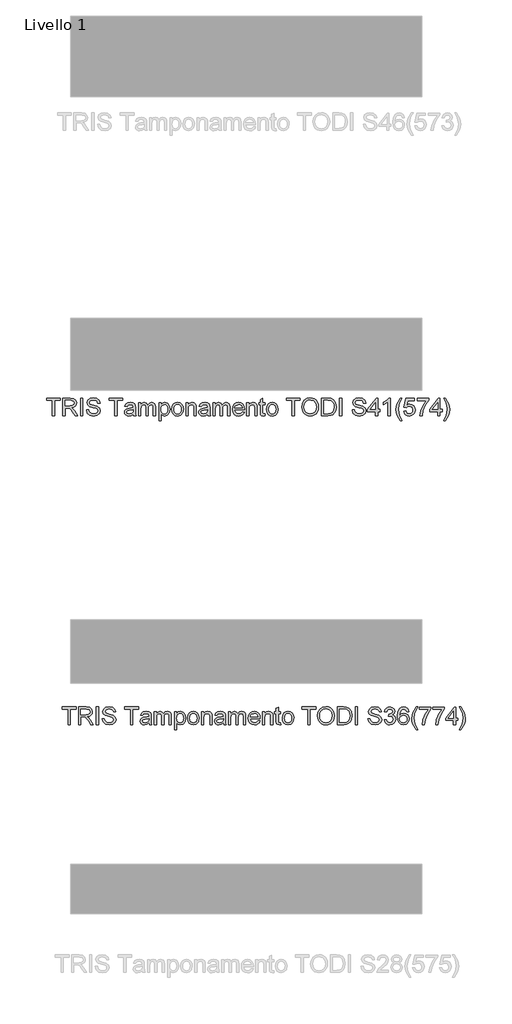
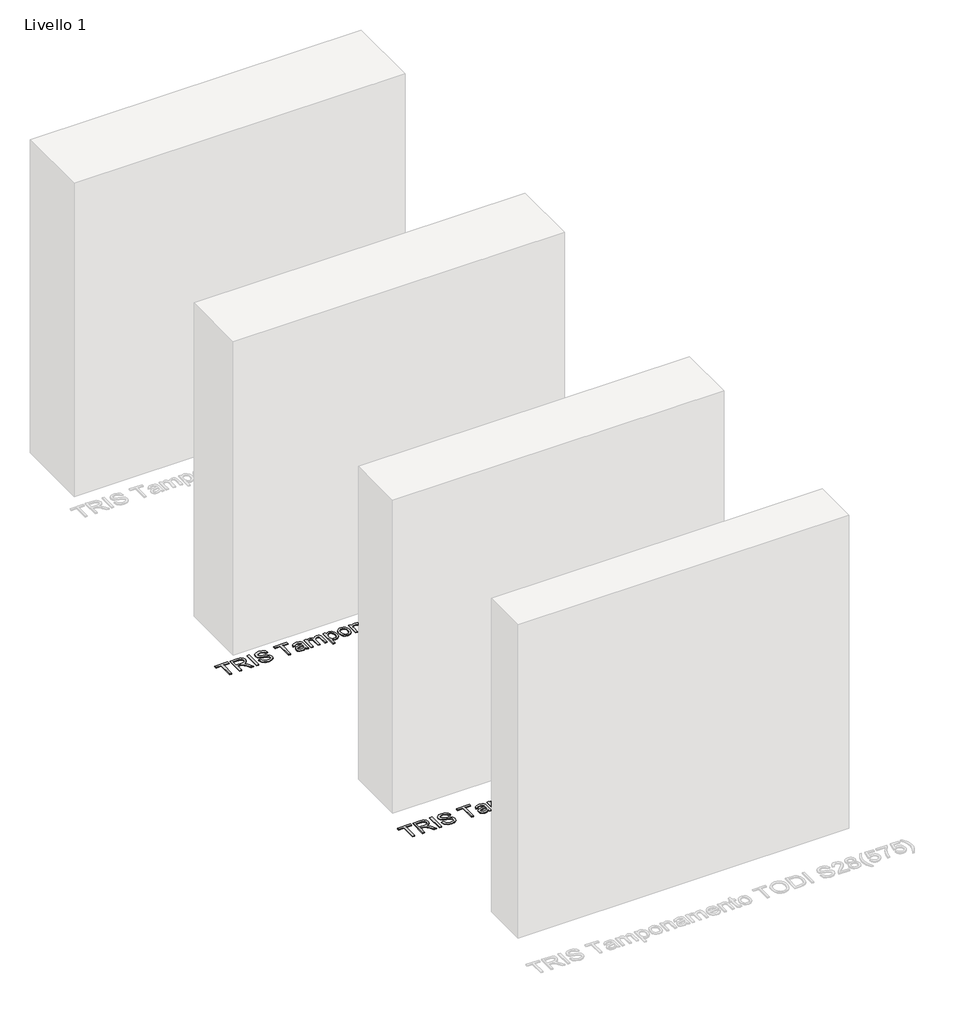
# One storey, part 11 of 18: 2 proxies.
"""IFC4 building model written with IfcOpenShell, lengths in millimetres."""

from ifc_helpers import new_model, si_unit, origin, origin_with_axes, place, context, project, spatial, polyline, outline, extrude, element, save

model = new_model("IFC4")

# Units and contexts
model_context = context("Model", 3, world=origin())
ifc_project = project(units=[si_unit("LENGTHUNIT", "METRE", prefix="MILLI")], contexts=[model_context])

# Site, building, storey
site = spatial("IfcSite", under=ifc_project)
building = spatial("IfcBuilding", under=site)
storey = spatial("IfcBuildingStorey", under=building, Name="Livello 1", Elevation=0.0)

# Proxies
placement = place(None, origin())
element("IfcBuildingElementProxy", 1, Name="100", ObjectType="100", at=placement, inside=storey, context=model_context, shape_type="SweptSolid", body=[
    extrude(outline(polyline([(3274.1215257, -54.0645777), (3274.1215257, 33.8346937), (3241.1592989, 33.8346937), (3241.1592989, 46.3917324), (3319.6407912, 46.3917324), (3319.6407912, 33.8346937), (3286.6785644, 33.8346937), (3286.6785644, -54.0645777), (3274.1215257, -54.0645777)])), origin_with_axes(), (0.0, 0.0, 1.0), 5.0),
    extrude(outline(polyline([(3333.7674598, -54.0645777), (3333.7674598, 46.3917324), (3377.0549079, 46.3917324), (3397.1535276, 43.6816684), (3408.1409365, 34.0922111), (3412.2489521, 18.8986847), (3410.5474979, 9.002659), (3405.4431352, 0.7988905), (3396.7825799, -5.2159801), (3384.4125478, -8.5453122), (3391.5494585, -13.9163893), (3401.7275271, -26.8413101), (3418.4784206, -54.0645777), (3403.8857681, -54.0645777), (3390.8136945, -33.2424568), (3381.37139, -19.4591447), (3374.7372514, -12.9476334), (3368.7653003, -10.5564004), (3361.4812368, -10.114942), (3346.3244986, -10.114942), (3346.3244986, -54.0645777), (3333.7674598, -54.0645777)]), holes=[polyline([(3346.3244986, 2.4420967), (3374.430683, 2.4420967), (3388.7658181, 4.2201931), (3396.9082729, 9.9101012), (3399.6919134, 18.4327008), (3394.3821499, 29.4936861), (3377.5944682, 33.8346937), (3346.3244986, 33.8346937), (3346.3244986, 2.4420967)])]), origin_with_axes(), (0.0, 0.0, 1.0), 5.0),
    extrude(outline(polyline([(3435.7933998, -54.0645777), (3435.7933998, 46.3917324), (3448.3504386, 46.3917324), (3448.3504386, -54.0645777), (3435.7933998, -54.0645777)])), origin_with_axes(), (0.0, 0.0, 1.0), 5.0),
    extrude(outline(polyline([(3468.7556266, -19.5327211), (3481.3126654, -19.5327211), (3485.3593673, -32.1020226), (3495.2431302, -40.0482737), (3510.3017666, -43.0771688), (3523.4228911, -40.7840377), (3531.8964397, -34.4809928), (3534.6800801, -26.0564951), (3532.5954155, -18.2206087), (3524.0605532, -12.5184377), (3505.776818, -7.7237091), (3486.0951313, -1.5310288), (3475.4142907, 7.8131739), (3471.8948863, 20.2966362), (3476.2481566, 34.509144), (3488.9646109, 44.5400597), (3507.5794398, 47.9613623), (3527.4450675, 44.3806442), (3540.6888194, 33.8592191), (3545.667489, 18.1383952), (3533.1104503, 18.1383952), (3530.8050564, 25.6309252), (3525.998065, 31.0387905), (3508.0699491, 35.4043235), (3490.0927823, 31.0878414), (3484.451925, 20.6645182), (3488.4495761, 11.9579777), (3508.9528659, 4.9436943), (3531.1729384, -1.3593505), (3543.325307, -11.5374191), (3547.2371189, -25.7376641), (3542.7366958, -40.7595122), (3529.7872496, -51.7223957), (3510.7922759, -55.6342076), (3488.3637369, -51.4158273), (3474.1757546, -38.7116358), (3468.7556266, -19.5327211)])), origin_with_axes(), (0.0, 0.0, 1.0), 5.0),
    extrude(outline(polyline([(3630.4275007, -54.0645777), (3630.4275007, 33.8346937), (3597.465274, 33.8346937), (3597.465274, 46.3917324), (3675.9467663, 46.3917324), (3675.9467663, 33.8346937), (3642.9845395, 33.8346937), (3642.9845395, -54.0645777), (3630.4275007, -54.0645777)])), origin_with_axes(), (0.0, 0.0, 1.0), 5.0),
    extrude(outline(polyline([(3735.5927004, -44.6467986), (3723.4158064, -53.1571355), (3709.9635881, -55.6342076), (3699.4697542, -54.1442855), (3691.7289039, -49.6745192), (3686.955635, -42.8870964), (3685.3645453, -34.4442046), (3687.768041, -24.5113908), (3694.0833486, -17.3009037), (3702.8757283, -13.1806253), (3713.7405099, -11.2921644), (3735.519124, -6.9756823), (3735.5927004, -4.1797792), (3732.1346097, 5.0908471), (3718.2531957, 8.7206161), (3705.5490041, 6.3048577), (3699.491214, -2.2667928), (3686.9341752, -0.6971629), (3692.366566, 11.5655702), (3703.304924, 18.7515319), (3719.8718765, 21.2776549), (3735.0899284, 19.0458375), (3743.6861043, 13.4417684), (3747.5366025, 4.9191688), (3748.1497392, -6.0682401), (3748.1497392, -21.6909621), (3748.7874013, -43.5063645), (3751.2889989, -54.0645777), (3738.7319601, -54.0645777), (3735.5927004, -44.6467986)]), holes=[polyline([(3735.5927004, -19.5327211), (3715.3346652, -23.3832193), (3704.5311973, -25.418833), (3699.6383668, -28.729771), (3697.9215841, -33.5612879), (3701.6617177, -40.354842), (3712.6368639, -43.0771688), (3725.3410555, -40.0727992), (3733.5325612, -32.8009984), (3735.519124, -23.0889137), (3735.5927004, -19.5327211)])]), origin_with_axes(), (0.0, 0.0, 1.0), 5.0),
    extrude(outline(polyline([(3765.4156675, -54.0645777), (3765.4156675, 19.7080251), (3777.9727063, 19.7080251), (3777.9727063, 7.5679192), (3786.6056704, 17.5129958), (3798.8929291, 21.2776549), (3811.4744933, 17.4394194), (3818.3906748, 6.6850024), (3828.1885986, 17.6294918), (3840.5616964, 21.2776549), (3850.0009352, 19.7601417), (3856.9814961, 15.207602), (3861.2949125, 7.4974085), (3862.732718, -3.4930661), (3862.732718, -54.0645777), (3850.1756792, -54.0645777), (3850.1756792, -8.8886687), (3849.0107195, 1.5959682), (3844.7923393, 6.7585788), (3837.6186404, 8.7206161), (3825.2700681, 3.6928955), (3821.5820511, -2.8492726), (3820.3527121, -12.4203359), (3820.3527121, -54.0645777), (3807.7956733, -54.0645777), (3807.7956733, -7.4907171), (3804.8894056, 4.6739142), (3795.3612619, 8.7206161), (3786.0661102, 6.0228148), (3779.8856926, -1.8743853), (3777.9727063, -16.8594453), (3777.9727063, -54.0645777), (3765.4156675, -54.0645777)])), origin_with_axes(), (0.0, 0.0, 1.0), 5.0),
    extrude(outline(polyline([(3881.5682761, -82.3179149), (3881.5682761, 19.7080251), (3894.1253149, 19.7080251), (3894.1253149, 7.3962409), (3902.80733, 17.8073014), (3914.5305029, 21.2776549), (3930.4475305, 16.4216126), (3940.8463283, 2.7364023), (3944.35347, -16.6141906), (3940.3926071, -36.9580649), (3928.8901634, -50.8149534), (3913.009924, -55.6342076), (3902.0838287, -52.4091087), (3894.1253149, -44.2543912), (3894.1253149, -82.3179149), (3881.5682761, -82.3179149)]), holes=[polyline([(3894.1253149, -17.7668875), (3895.4834126, -29.0240766), (3899.5577057, -36.8967513), (3905.5695106, -41.5320644), (3912.7401438, -43.0771688), (3920.027273, -41.4768821), (3926.1923621, -36.6760221), (3930.3954139, -28.5151731), (3931.7964312, -16.8349198), (3930.4291364, -5.6390444), (3926.3272522, 2.3439949), (3920.3246443, 7.1264608), (3913.2551786, 8.7206161), (3906.1581218, 7.0252933), (3899.9255877, 1.9393247), (3895.5753831, -6.3778741), (3894.1253149, -17.7668875)])]), origin_with_axes(), (0.0, 0.0, 1.0), 5.0),
    extrude(outline(polyline([(3955.3408789, -17.1782763), (3958.0570743, 0.6088181), (3966.2056605, 13.1106746), (3976.2733644, 19.2359098), (3988.3276311, 21.2776549), (4001.5192663, 18.7913857), (4012.0560198, 11.3325783), (4018.9630043, -0.5101563), (4021.2653324, -16.1482067), (4017.194105, -38.4909066), (4005.336042, -51.1337845), (3988.3276311, -55.6342076), (3974.9765804, -53.1571355), (3964.4520896, -45.7259192), (3957.6186816, -33.6348642), (3955.3408789, -17.1782763)]), holes=[polyline([(3967.8979176, -17.1537509), (3969.3510515, -28.5182388), (3973.7104532, -36.6147084), (3980.2710154, -41.4615537), (3988.3276311, -43.0771688), (3996.3474586, -41.4523566), (4002.8957581, -36.5779202), (4007.2551598, -28.3741517), (4008.7082936, -16.7613434), (4007.2459627, -5.7279492), (4002.8589699, 2.2581557), (3996.3014734, 7.105001), (3988.3276311, 8.7206161), (3980.2710154, 7.1111324), (3973.7104532, 2.2826812), (3969.3510515, -5.7953943), (3967.8979176, -17.1537509)])]), origin_with_axes(), (0.0, 0.0, 1.0), 5.0),
    extrude(outline(polyline([(4035.392001, -54.0645777), (4035.392001, 19.7080251), (4047.9490398, 19.7080251), (4047.9490398, 9.4073292), (4057.5507599, 18.3100735), (4070.6596216, 21.2776549), (4082.5176846, 18.8864219), (4090.6110885, 12.6079025), (4094.3757476, 3.3740645), (4095.0379352, -8.7660414), (4095.0379352, -54.0645777), (4082.4808964, -54.0645777), (4082.4808964, -10.4582986), (4081.0338939, 0.6517377), (4075.9203342, 6.5255869), (4067.2996327, 8.7206161), (4053.6757362, 3.7909974), (4049.3807139, -3.3520447), (4047.9490398, -14.9219334), (4047.9490398, -54.0645777), (4035.392001, -54.0645777)])), origin_with_axes(), (0.0, 0.0, 1.0), 5.0),
    extrude(outline(polyline([(4159.3927589, -44.6467986), (4147.2158648, -53.1571355), (4133.7636465, -55.6342076), (4123.2698126, -54.1442855), (4115.5289623, -49.6745192), (4110.7556934, -42.8870964), (4109.1646038, -34.4442046), (4111.5680995, -24.5113908), (4117.8834071, -17.3009037), (4126.6757868, -13.1806253), (4137.5405684, -11.2921644), (4159.3191825, -6.9756823), (4159.3927589, -4.1797792), (4155.9346681, 5.0908471), (4142.0532542, 8.7206161), (4129.3490626, 6.3048577), (4123.2912724, -2.2667928), (4110.7342336, -0.6971629), (4116.1666244, 11.5655702), (4127.1049824, 18.7515319), (4143.6719349, 21.2776549), (4158.8899868, 19.0458375), (4167.4861628, 13.4417684), (4171.336661, 4.9191688), (4171.9497976, -6.0682401), (4171.9497976, -21.6909621), (4172.5874598, -43.5063645), (4175.0890573, -54.0645777), (4162.5320186, -54.0645777), (4159.3927589, -44.6467986)]), holes=[polyline([(4159.3927589, -19.5327211), (4139.1347237, -23.3832193), (4128.3312557, -25.418833), (4123.4384252, -28.729771), (4121.7216426, -33.5612879), (4125.4617762, -40.354842), (4136.4369224, -43.0771688), (4149.1411139, -40.0727992), (4157.3326197, -32.8009984), (4159.3191825, -23.0889137), (4159.3927589, -19.5327211)])]), origin_with_axes(), (0.0, 0.0, 1.0), 5.0),
    extrude(outline(polyline([(4189.2157259, -54.0645777), (4189.2157259, 19.7080251), (4201.7727647, 19.7080251), (4201.7727647, 7.5679192), (4210.4057289, 17.5129958), (4222.6929875, 21.2776549), (4235.2745517, 17.4394194), (4242.1907332, 6.6850024), (4251.9886571, 17.6294918), (4264.3617548, 21.2776549), (4273.8009937, 19.7601417), (4280.7815545, 15.207602), (4285.0949709, 7.4974085), (4286.5327764, -3.4930661), (4286.5327764, -54.0645777), (4273.9757376, -54.0645777), (4273.9757376, -8.8886687), (4272.810778, 1.5959682), (4268.5923978, 6.7585788), (4261.4186989, 8.7206161), (4249.0701266, 3.6928955), (4245.3821096, -2.8492726), (4244.1527706, -12.4203359), (4244.1527706, -54.0645777), (4231.5957318, -54.0645777), (4231.5957318, -7.4907171), (4228.689464, 4.6739142), (4219.1613203, 8.7206161), (4209.8661686, 6.0228148), (4203.6857511, -1.8743853), (4201.7727647, -16.8594453), (4201.7727647, -54.0645777), (4189.2157259, -54.0645777)])), origin_with_axes(), (0.0, 0.0, 1.0), 5.0),
    extrude(outline(polyline([(4357.0189667, -32.0897599), (4369.3307508, -33.6593897), (4364.8947071, -42.9361474), (4357.8160443, -49.870723), (4348.2541781, -54.1933364), (4336.368524, -55.6342076), (4321.6348501, -53.1479384), (4310.2979533, -45.689131), (4303.0690721, -33.7421632), (4300.659445, -17.791413), (4303.0935975, -1.3041682), (4310.3960552, 11.02601), (4321.5796678, 18.7147437), (4335.6572855, 21.2776549), (4349.2965105, 18.720875), (4360.1950146, 11.0505354), (4367.3411223, -1.2551173), (4369.7231582, -17.7178366), (4369.6495818, -21.1023509), (4313.2164838, -21.1023509), (4315.3900532, -30.5017359), (4320.4392336, -37.4117861), (4327.7263628, -41.6608231), (4336.6137787, -43.0771688), (4348.9255628, -40.4529439), (4357.0189667, -32.0897599)]), holes=[polyline([(4313.2164838, -8.5453122), (4357.1661195, -8.5453122), (4352.1383989, 2.8345042), (4344.8175472, 7.2490881), (4335.6082346, 8.7206161), (4320.144928, 4.0239893), (4315.2796886, -1.4666495), (4313.2164838, -8.5453122)])]), origin_with_axes(), (0.0, 0.0, 1.0), 5.0),
    extrude(outline(polyline([(4382.280197, -54.0645777), (4382.280197, 19.7080251), (4394.8372358, 19.7080251), (4394.8372358, 9.4073292), (4404.4389559, 18.3100735), (4417.5478176, 21.2776549), (4429.4058806, 18.8864219), (4437.4992845, 12.6079025), (4441.2639436, 3.3740645), (4441.9261312, -8.7660414), (4441.9261312, -54.0645777), (4429.3690924, -54.0645777), (4429.3690924, -10.4582986), (4427.9220899, 0.6517377), (4422.8085301, 6.5255869), (4414.1878287, 8.7206161), (4400.5639322, 3.7909974), (4396.2689099, -3.3520447), (4394.8372358, -14.9219334), (4394.8372358, -54.0645777), (4382.280197, -54.0645777)])), origin_with_axes(), (0.0, 0.0, 1.0), 5.0),
    extrude(outline(polyline([(4485.8757669, -43.5922036), (4487.4453967, -54.4324597), (4478.0521431, -55.6342076), (4467.530718, -53.5495429), (4462.2822682, -48.0803639), (4460.7616893, -33.831068), (4460.7616893, 7.1509863), (4451.3439102, 7.1509863), (4451.3439102, 19.7080251), (4460.7616893, 19.7080251), (4460.7616893, 37.6361409), (4473.3187281, 45.0183063), (4473.3187281, 19.7080251), (4485.8757669, 19.7080251), (4485.8757669, 7.1509863), (4473.3187281, 7.1509863), (4473.3187281, -33.463186), (4473.9809157, -39.9379091), (4476.126894, -42.2310402), (4480.4065879, -43.0771688), (4485.8757669, -43.5922036)])), origin_with_axes(), (0.0, 0.0, 1.0), 5.0),
    extrude(outline(polyline([(4495.2935459, -17.1782763), (4498.0097413, 0.6088181), (4506.1583275, 13.1106746), (4516.2260315, 19.2359098), (4528.2802982, 21.2776549), (4541.4719334, 18.7913857), (4552.0086868, 11.3325783), (4558.9156713, -0.5101563), (4561.2179995, -16.1482067), (4557.146772, -38.4909066), (4545.2887091, -51.1337845), (4528.2802982, -55.6342076), (4514.9292474, -53.1571355), (4504.4047567, -45.7259192), (4497.5713486, -33.6348642), (4495.2935459, -17.1782763)]), holes=[polyline([(4507.8505847, -17.1537509), (4509.3037186, -28.5182388), (4513.6631202, -36.6147084), (4520.2236825, -41.4615537), (4528.2802982, -43.0771688), (4536.3001257, -41.4523566), (4542.8484252, -36.5779202), (4547.2078268, -28.3741517), (4548.6609607, -16.7613434), (4547.1986298, -5.7279492), (4542.811637, 2.2581557), (4536.2541404, 7.105001), (4528.2802982, 8.7206161), (4520.2236825, 7.1111324), (4513.6631202, 2.2826812), (4509.3037186, -5.7953943), (4507.8505847, -17.1537509)])]), origin_with_axes(), (0.0, 0.0, 1.0), 5.0),
    extrude(outline(polyline([(4641.2691216, -54.0645777), (4641.2691216, 33.8346937), (4608.3068948, 33.8346937), (4608.3068948, 46.3917324), (4686.7883871, 46.3917324), (4686.7883871, 33.8346937), (4653.8261604, 33.8346937), (4653.8261604, -54.0645777), (4641.2691216, -54.0645777)])), origin_with_axes(), (0.0, 0.0, 1.0), 5.0),
    extrude(outline(polyline([(4696.2061662, -5.1607978), (4699.5538924, 17.0531433), (4709.5970709, 33.8592191), (4724.9316187, 44.4358265), (4744.1534529, 47.9613623), (4757.3297597, 46.3058933), (4769.1449031, 41.3394864), (4778.9550897, 33.4116294), (4786.1165258, 22.8718102), (4790.4943216, 10.2289323), (4791.9535868, -4.0081009), (4790.4176795, -18.4352065), (4785.8099575, -31.255894), (4778.3848726, -41.8141073), (4768.3968764, -49.45379), (4756.6829005, -54.0891032), (4744.0798765, -55.6342076), (4730.7012346, -53.926622), (4718.8186462, -48.8038652), (4709.0329851, -40.7288554), (4701.9451254, -30.1645108), (4696.2061662, -5.1607978)]), holes=[polyline([(4708.763205, -5.2834252), (4711.2739996, -20.9981177), (4718.8063835, -32.9726767), (4730.1279519, -40.5510458), (4744.0063001, -43.0771688), (4758.0869835, -40.5265203), (4769.426946, -32.8745748), (4776.9041476, -20.5321339), (4779.3965481, -3.909999), (4775.1291169, 16.81402), (4762.6579173, 30.5360184), (4744.2270293, 35.4043235), (4730.7196287, 33.0590758), (4719.2355791, 26.0233326), (4711.3812985, 13.5061477), (4708.763205, -5.2834252)])]), origin_with_axes(), (0.0, 0.0, 1.0), 5.0),
    extrude(outline(polyline([(4809.2195151, -54.0645777), (4809.2195151, 46.3917324), (4843.8739991, 46.3917324), (4861.802115, 44.9447299), (4876.5664457, 37.7587683), (4888.4612969, 20.5909418), (4892.409897, -3.2968624), (4889.7366212, -23.5671603), (4882.8694906, -38.196601), (4873.6969662, -47.3078117), (4861.6917504, -52.3477951), (4845.5417308, -54.0645777), (4809.2195151, -54.0645777)]), holes=[polyline([(4821.7765539, -41.5075389), (4843.9966264, -41.5075389), (4860.1589087, -39.6926544), (4869.478586, -34.566832), (4877.1182687, -22.0956323), (4879.8528582, -3.1006586), (4878.5131546, 10.5845516), (4874.4940438, 20.6890437), (4861.4587585, 31.8236054), (4843.6532699, 33.8346937), (4821.7765539, 33.8346937), (4821.7765539, -41.5075389)])]), origin_with_axes(), (0.0, 0.0, 1.0), 5.0),
    extrude(outline(polyline([(4911.2454551, -54.0645777), (4911.2454551, 46.3917324), (4923.8024939, 46.3917324), (4923.8024939, -54.0645777), (4911.2454551, -54.0645777)])), origin_with_axes(), (0.0, 0.0, 1.0), 5.0),
    extrude(outline(polyline([(4983.4484281, -19.5327211), (4996.0054668, -19.5327211), (5000.0521688, -32.1020226), (5009.9359317, -40.0482737), (5024.994568, -43.0771688), (5038.1156925, -40.7840377), (5046.5892412, -34.4809928), (5049.3728816, -26.0564951), (5047.288217, -18.2206087), (5038.7533547, -12.5184377), (5020.4696195, -7.7237091), (5000.7879328, -1.5310288), (4990.1070922, 7.8131739), (4986.5876878, 20.2966362), (4990.940958, 34.509144), (5003.6574123, 44.5400597), (5022.2722413, 47.9613623), (5042.137869, 44.3806442), (5055.3816209, 33.8592191), (5060.3602905, 18.1383952), (5047.8032517, 18.1383952), (5045.4978579, 25.6309252), (5040.6908665, 31.0387905), (5022.7627506, 35.4043235), (5004.7855838, 31.0878414), (4999.1447265, 20.6645182), (5003.1423775, 11.9579777), (5023.6456674, 4.9436943), (5045.8657399, -1.3593505), (5058.0181085, -11.5374191), (5061.9299204, -25.7376641), (5057.4294973, -40.7595122), (5044.4800511, -51.7223957), (5025.4850774, -55.6342076), (5003.0565384, -51.4158273), (4988.8685561, -38.7116358), (4983.4484281, -19.5327211)])), origin_with_axes(), (0.0, 0.0, 1.0), 5.0),
    extrude(outline(polyline([(5116.866965, -54.0645777), (5116.866965, -30.52013), (5071.3476994, -30.52013), (5071.3476994, -17.9630913), (5120.0062247, 44.8221026), (5129.4240037, 44.8221026), (5129.4240037, -17.9630913), (5141.9810425, -17.9630913), (5141.9810425, -30.52013), (5129.4240037, -30.52013), (5129.4240037, -54.0645777), (5116.866965, -54.0645777)]), holes=[polyline([(5116.866965, -17.9630913), (5116.866965, 20.8361965), (5086.7987432, -17.9630913), (5116.866965, -17.9630913)])]), origin_with_axes(), (0.0, 0.0, 1.0), 5.0),
    extrude(outline(polyline([(5200.0573468, -54.0645777), (5187.5003081, -54.0645777), (5187.5003081, 24.2207109), (5175.6054569, 15.7471622), (5162.3862305, 9.4073292), (5162.3862305, 21.2776549), (5180.792593, 33.0253533), (5191.9639429, 46.3917324), (5200.0573468, 46.3917324), (5200.0573468, -54.0645777)])), origin_with_axes(), (0.0, 0.0, 1.0), 5.0),
    extrude(outline(polyline([(5258.1336511, -82.3179149), (5240.3036371, -52.8628299), (5234.8405895, -35.6827407), (5233.0195736, -17.8895149), (5238.4642271, 12.6446907), (5258.1336511, 46.3917324), (5267.5514302, 46.3917324), (5255.8037318, 26.5015792), (5248.7403975, 7.2245627), (5245.5766124, -17.9630913), (5251.0703168, -50.1527658), (5267.5514302, -82.3179149), (5258.1336511, -82.3179149)])), origin_with_axes(), (0.0, 0.0, 1.0), 5.0),
    extrude(outline(polyline([(5276.9692093, -27.3808703), (5289.526248, -25.8112405), (5295.8538184, -38.748424), (5308.9749429, -43.0771688), (5317.975789, -41.5719183), (5324.7202923, -37.0561668), (5328.9325411, -30.0510805), (5330.336624, -21.0778255), (5325.0759115, -6.1663419), (5318.469364, -2.0644577), (5309.1711466, -0.6971629), (5298.1469495, -2.8799295), (5291.0958779, -8.5453122), (5278.5388391, -6.9756823), (5289.526248, 44.8221026), (5338.1847733, 44.8221026), (5338.1847733, 32.2650638), (5299.6797911, 32.2650638), (5294.308714, 4.6003378), (5303.2789033, 10.0449913), (5312.6782883, 11.8598758), (5324.4106582, 9.6096643), (5334.1503341, 2.8590297), (5340.7078306, -7.4294035), (5342.8936628, -20.2930106), (5340.9254941, -32.8500493), (5335.0209881, -43.5922036), (5323.7147481, -52.6237066), (5308.9258919, -55.6342076), (5296.592648, -53.6997614), (5286.7671331, -47.8964229), (5280.0318269, -38.8986425), (5276.9692093, -27.3808703)])), origin_with_axes(), (0.0, 0.0, 1.0), 5.0),
    extrude(outline(polyline([(5353.8810717, 32.2650638), (5353.8810717, 44.8221026), (5419.8055253, 44.8221026), (5419.8055253, 34.6685595), (5401.1048572, 7.6537583), (5386.7942476, -26.7677337), (5382.134409, -54.0645777), (5369.5773702, -54.0645777), (5374.5683026, -25.7376641), (5388.2657756, 6.2803322), (5407.2484865, 32.2650638), (5353.8810717, 32.2650638)])), origin_with_axes(), (0.0, 0.0, 1.0), 5.0),
    extrude(outline(polyline([(5471.6033102, -54.0645777), (5471.6033102, -30.52013), (5426.0840447, -30.52013), (5426.0840447, -17.9630913), (5474.7425699, 44.8221026), (5484.160349, 44.8221026), (5484.160349, -17.9630913), (5496.7173877, -17.9630913), (5496.7173877, -30.52013), (5484.160349, -30.52013), (5484.160349, -54.0645777), (5471.6033102, -54.0645777)]), holes=[polyline([(5471.6033102, -17.9630913), (5471.6033102, 20.8361965), (5441.5350885, -17.9630913), (5471.6033102, -17.9630913)])]), origin_with_axes(), (0.0, 0.0, 1.0), 5.0),
    extrude(outline(polyline([(5513.983316, -82.3179149), (5504.565537, -82.3179149), (5521.0466503, -50.1527658), (5526.5403548, -17.9630913), (5523.3765696, 7.0038335), (5516.3868117, 26.3053755), (5504.565537, 46.3917324), (5513.983316, 46.3917324), (5533.65274, 12.6446907), (5539.0973936, -17.8895149), (5537.2671806, -35.6827407), (5531.7765419, -52.8628299), (5513.983316, -82.3179149)])), origin_with_axes(), (0.0, 0.0, 1.0), 5.0),
])
element("IfcBuildingElementProxy", 2, Name="100", ObjectType="100", at=placement, inside=storey, context=model_context, shape_type="SweptSolid", body=[
    extrude(outline(polyline([(3363.8135628, -1812.7347711), (3363.8135628, -1724.8354997), (3330.851336, -1724.8354997), (3330.851336, -1712.2784609), (3409.3328283, -1712.2784609), (3409.3328283, -1724.8354997), (3376.3706016, -1724.8354997), (3376.3706016, -1812.7347711), (3363.8135628, -1812.7347711)])), origin_with_axes(), (0.0, 0.0, 1.0), 5.0),
    extrude(outline(polyline([(3423.4594969, -1812.7347711), (3423.4594969, -1712.2784609), (3466.746945, -1712.2784609), (3486.8455647, -1714.988525), (3497.8329736, -1724.5779823), (3501.9409893, -1739.7715087), (3500.239535, -1749.6675344), (3495.1351723, -1757.8713029), (3486.474617, -1763.8861735), (3474.1045849, -1767.2155055), (3481.2414957, -1772.5865827), (3491.4195642, -1785.5115034), (3508.1704577, -1812.7347711), (3493.5778052, -1812.7347711), (3480.5057317, -1791.9126501), (3471.0634271, -1778.1293381), (3464.4292885, -1771.6178267), (3458.4573374, -1769.2265938), (3451.1732739, -1768.7851354), (3436.0165357, -1768.7851354), (3436.0165357, -1812.7347711), (3423.4594969, -1812.7347711)]), holes=[polyline([(3436.0165357, -1756.2280966), (3464.1227201, -1756.2280966), (3478.4578552, -1754.4500003), (3486.6003101, -1748.7600921), (3489.3839505, -1740.2374926), (3484.074187, -1729.1765072), (3467.2865053, -1724.8354997), (3436.0165357, -1724.8354997), (3436.0165357, -1756.2280966)])]), origin_with_axes(), (0.0, 0.0, 1.0), 5.0),
    extrude(outline(polyline([(3525.4854369, -1812.7347711), (3525.4854369, -1712.2784609), (3538.0424757, -1712.2784609), (3538.0424757, -1812.7347711), (3525.4854369, -1812.7347711)])), origin_with_axes(), (0.0, 0.0, 1.0), 5.0),
    extrude(outline(polyline([(3558.4476637, -1778.2029145), (3571.0047025, -1778.2029145), (3575.0514044, -1790.772216), (3584.9351674, -1798.7184671), (3599.9938037, -1801.7473621), (3613.1149282, -1799.454231), (3621.5884768, -1793.1511862), (3624.3721172, -1784.7266885), (3622.2874526, -1776.890802), (3613.7525903, -1771.1886311), (3595.4688552, -1766.3939024), (3575.7871684, -1760.2012222), (3565.1063278, -1750.8570195), (3561.5869234, -1738.3735571), (3565.9401937, -1724.1610494), (3578.656648, -1714.1301336), (3597.2714769, -1710.7088311), (3617.1371047, -1714.2895492), (3630.3808565, -1724.8109742), (3635.3595262, -1740.5317982), (3622.8024874, -1740.5317982), (3620.4970936, -1733.0392682), (3615.6901022, -1727.6314029), (3597.7619863, -1723.2658698), (3579.7848194, -1727.5823519), (3574.1439622, -1738.0056751), (3578.1416132, -1746.7122157), (3598.644903, -1753.726499), (3620.8649756, -1760.0295439), (3633.0173441, -1770.2076124), (3636.929156, -1784.4078574), (3632.4287329, -1799.4297056), (3619.4792867, -1810.392589), (3600.484313, -1814.3044009), (3578.0557741, -1810.0860207), (3563.8677918, -1797.3818291), (3558.4476637, -1778.2029145)])), origin_with_axes(), (0.0, 0.0, 1.0), 5.0),
    extrude(outline(polyline([(3720.1195379, -1812.7347711), (3720.1195379, -1724.8354997), (3687.1573111, -1724.8354997), (3687.1573111, -1712.2784609), (3765.6388034, -1712.2784609), (3765.6388034, -1724.8354997), (3732.6765766, -1724.8354997), (3732.6765766, -1812.7347711), (3720.1195379, -1812.7347711)])), origin_with_axes(), (0.0, 0.0, 1.0), 5.0),
    extrude(outline(polyline([(3825.2847375, -1803.316992), (3813.1078435, -1811.8273288), (3799.6556252, -1814.3044009), (3789.1617913, -1812.8144788), (3781.420941, -1808.3447126), (3776.6476721, -1801.5572898), (3775.0565825, -1793.114398), (3777.4600782, -1783.1815841), (3783.7753858, -1775.971097), (3792.5677654, -1771.8508187), (3803.432547, -1769.9623578), (3825.2111611, -1765.6458757), (3825.2847375, -1762.8499725), (3821.8266468, -1753.5793462), (3807.9452328, -1749.9495772), (3795.2410413, -1752.3653357), (3789.1832511, -1760.9369862), (3776.6262123, -1759.3673563), (3782.0586031, -1747.1046231), (3792.9969611, -1739.9186615), (3809.5639136, -1737.3925385), (3824.7819655, -1739.6243559), (3833.3781414, -1745.228425), (3837.2286397, -1753.7510245), (3837.8417763, -1764.7384334), (3837.8417763, -1780.3611555), (3838.4794384, -1802.1765578), (3840.981036, -1812.7347711), (3828.4239972, -1812.7347711), (3825.2847375, -1803.316992)]), holes=[polyline([(3825.2847375, -1778.2029145), (3805.0267023, -1782.0534127), (3794.2232344, -1784.0890264), (3789.3304039, -1787.3999643), (3787.6136212, -1792.2314812), (3791.3537549, -1799.0250354), (3802.328901, -1801.7473621), (3815.0330926, -1798.7429925), (3823.2245984, -1791.4711917), (3825.2111611, -1781.7591071), (3825.2847375, -1778.2029145)])]), origin_with_axes(), (0.0, 0.0, 1.0), 5.0),
    extrude(outline(polyline([(3855.1077046, -1812.7347711), (3855.1077046, -1738.9621683), (3867.6647434, -1738.9621683), (3867.6647434, -1751.1022741), (3876.2977075, -1741.1571975), (3888.5849662, -1737.3925385), (3901.1665304, -1741.2307739), (3908.0827119, -1751.9851909), (3917.8806357, -1741.0407016), (3930.2537335, -1737.3925385), (3939.6929724, -1738.9100517), (3946.6735332, -1743.4625914), (3950.9869496, -1751.1727849), (3952.4247551, -1762.1632595), (3952.4247551, -1812.7347711), (3939.8677163, -1812.7347711), (3939.8677163, -1767.5588621), (3938.7027567, -1757.0742252), (3934.4843764, -1751.9116145), (3927.3106775, -1749.9495772), (3914.9621052, -1754.9772978), (3911.2740882, -1761.519466), (3910.0447492, -1771.0905292), (3910.0447492, -1812.7347711), (3897.4877105, -1812.7347711), (3897.4877105, -1766.1609105), (3894.5814427, -1753.9962792), (3885.053299, -1749.9495772), (3875.7581473, -1752.6473785), (3869.5777298, -1760.5445787), (3867.6647434, -1775.5296386), (3867.6647434, -1812.7347711), (3855.1077046, -1812.7347711)])), origin_with_axes(), (0.0, 0.0, 1.0), 5.0),
    extrude(outline(polyline([(3971.2603132, -1840.9881083), (3971.2603132, -1738.9621683), (3983.817352, -1738.9621683), (3983.817352, -1751.2739524), (3992.4993671, -1740.8628919), (4004.22254, -1737.3925385), (4020.1395677, -1742.2485808), (4030.5383654, -1755.933791), (4034.0455071, -1775.284384), (4030.0846443, -1795.6282583), (4018.5822005, -1809.4851468), (4002.7019611, -1814.3044009), (3991.7758658, -1811.0793021), (3983.817352, -1802.9245845), (3983.817352, -1840.9881083), (3971.2603132, -1840.9881083)]), holes=[polyline([(3983.817352, -1776.4370809), (3985.1754497, -1787.6942699), (3989.2497428, -1795.5669446), (3995.2615477, -1800.2022578), (4002.432181, -1801.7473621), (4009.7193101, -1800.1470755), (4015.8843992, -1795.3462154), (4020.087451, -1787.1853665), (4021.4884683, -1775.5051132), (4020.1211736, -1764.3092378), (4016.0192893, -1756.3261985), (4010.0166814, -1751.5437325), (4002.9472157, -1749.9495772), (3995.8501589, -1751.6449001), (3989.6176248, -1756.7308687), (3985.2674202, -1765.0480674), (3983.817352, -1776.4370809)])]), origin_with_axes(), (0.0, 0.0, 1.0), 5.0),
    extrude(outline(polyline([(4045.032916, -1775.8484697), (4047.7491114, -1758.0613752), (4055.8976976, -1745.5595188), (4065.9654015, -1739.4342835), (4078.0196682, -1737.3925385), (4091.2113034, -1739.8788076), (4101.7480569, -1747.3376151), (4108.6550414, -1759.1803496), (4110.9573695, -1774.8184001), (4106.8861421, -1797.1610999), (4095.0280791, -1809.8039778), (4078.0196682, -1814.3044009), (4064.6686175, -1811.8273288), (4054.1441267, -1804.3961125), (4047.3107187, -1792.3050576), (4045.032916, -1775.8484697)]), holes=[polyline([(4057.5899548, -1775.8239442), (4059.0430886, -1787.1884322), (4063.4024903, -1795.2849018), (4069.9630525, -1800.1317471), (4078.0196682, -1801.7473621), (4086.0394957, -1800.12255), (4092.5877952, -1795.2481136), (4096.9471969, -1787.0443451), (4098.4003308, -1775.4315368), (4096.9379998, -1764.3981426), (4092.551007, -1756.4120376), (4085.9935105, -1751.5651923), (4078.0196682, -1749.9495772), (4069.9630525, -1751.559061), (4063.4024903, -1756.3875121), (4059.0430886, -1764.4655876), (4057.5899548, -1775.8239442)])]), origin_with_axes(), (0.0, 0.0, 1.0), 5.0),
    extrude(outline(polyline([(4125.0840381, -1812.7347711), (4125.0840381, -1738.9621683), (4137.6410769, -1738.9621683), (4137.6410769, -1749.2628642), (4147.242797, -1740.3601199), (4160.3516588, -1737.3925385), (4172.2097217, -1739.7837714), (4180.3031256, -1746.0622908), (4184.0677847, -1755.2961289), (4184.7299723, -1767.4362347), (4184.7299723, -1812.7347711), (4172.1729335, -1812.7347711), (4172.1729335, -1769.1284919), (4170.725931, -1758.0184557), (4165.6123713, -1752.1446065), (4156.9916699, -1749.9495772), (4143.3677733, -1754.879196), (4139.072751, -1762.022238), (4137.6410769, -1773.5921268), (4137.6410769, -1812.7347711), (4125.0840381, -1812.7347711)])), origin_with_axes(), (0.0, 0.0, 1.0), 5.0),
    extrude(outline(polyline([(4249.084796, -1803.316992), (4236.9079019, -1811.8273288), (4223.4556837, -1814.3044009), (4212.9618497, -1812.8144788), (4205.2209994, -1808.3447126), (4200.4477305, -1801.5572898), (4198.8566409, -1793.114398), (4201.2601366, -1783.1815841), (4207.5754442, -1775.971097), (4216.3678239, -1771.8508187), (4227.2326055, -1769.9623578), (4249.0112196, -1765.6458757), (4249.084796, -1762.8499725), (4245.6267052, -1753.5793462), (4231.7452913, -1749.9495772), (4219.0410997, -1752.3653357), (4212.9833095, -1760.9369862), (4200.4262708, -1759.3673563), (4205.8586616, -1747.1046231), (4216.7970195, -1739.9186615), (4233.3639721, -1737.3925385), (4248.5820239, -1739.6243559), (4257.1781999, -1745.228425), (4261.0286981, -1753.7510245), (4261.6418348, -1764.7384334), (4261.6418348, -1780.3611555), (4262.2794969, -1802.1765578), (4264.7810944, -1812.7347711), (4252.2240557, -1812.7347711), (4249.084796, -1803.316992)]), holes=[polyline([(4249.084796, -1778.2029145), (4228.8267608, -1782.0534127), (4218.0232929, -1784.0890264), (4213.1304623, -1787.3999643), (4211.4136797, -1792.2314812), (4215.1538133, -1799.0250354), (4226.1289595, -1801.7473621), (4238.8331511, -1798.7429925), (4247.0246568, -1791.4711917), (4249.0112196, -1781.7591071), (4249.084796, -1778.2029145)])]), origin_with_axes(), (0.0, 0.0, 1.0), 5.0),
    extrude(outline(polyline([(4278.9077631, -1812.7347711), (4278.9077631, -1738.9621683), (4291.4648018, -1738.9621683), (4291.4648018, -1751.1022741), (4300.097766, -1741.1571975), (4312.3850246, -1737.3925385), (4324.9665889, -1741.2307739), (4331.8827704, -1751.9851909), (4341.6806942, -1741.0407016), (4354.0537919, -1737.3925385), (4363.4930308, -1738.9100517), (4370.4735917, -1743.4625914), (4374.7870081, -1751.1727849), (4376.2248135, -1762.1632595), (4376.2248135, -1812.7347711), (4363.6677748, -1812.7347711), (4363.6677748, -1767.5588621), (4362.5028151, -1757.0742252), (4358.2844349, -1751.9116145), (4351.110736, -1749.9495772), (4338.7621637, -1754.9772978), (4335.0741467, -1761.519466), (4333.8448077, -1771.0905292), (4333.8448077, -1812.7347711), (4321.2877689, -1812.7347711), (4321.2877689, -1766.1609105), (4318.3815011, -1753.9962792), (4308.8533575, -1749.9495772), (4299.5582057, -1752.6473785), (4293.3777882, -1760.5445787), (4291.4648018, -1775.5296386), (4291.4648018, -1812.7347711), (4278.9077631, -1812.7347711)])), origin_with_axes(), (0.0, 0.0, 1.0), 5.0),
    extrude(outline(polyline([(4446.7110038, -1790.7599532), (4459.0227879, -1792.3295831), (4454.5867442, -1801.6063407), (4447.5080815, -1808.5409163), (4437.9462153, -1812.8635298), (4426.0605611, -1814.3044009), (4411.3268872, -1811.8181318), (4399.9899904, -1804.3593243), (4392.7611092, -1792.4123565), (4390.3514821, -1776.4616063), (4392.7856347, -1759.9743616), (4400.0880923, -1747.6441834), (4411.2717049, -1739.9554497), (4425.3493226, -1737.3925385), (4438.9885476, -1739.9493183), (4449.8870517, -1747.6196579), (4457.0331594, -1759.9253107), (4459.4151954, -1776.3880299), (4459.341619, -1779.7725443), (4402.9085209, -1779.7725443), (4405.0820904, -1789.1719293), (4410.1312707, -1796.0819794), (4417.4183999, -1800.3310165), (4426.3058158, -1801.7473621), (4438.6175999, -1799.1231372), (4446.7110038, -1790.7599532)]), holes=[polyline([(4402.9085209, -1767.2155055), (4446.8581566, -1767.2155055), (4441.830436, -1755.8356892), (4434.5095843, -1751.4211052), (4425.3002717, -1749.9495772), (4409.8369651, -1754.646204), (4404.9717258, -1760.1368428), (4402.9085209, -1767.2155055)])]), origin_with_axes(), (0.0, 0.0, 1.0), 5.0),
    extrude(outline(polyline([(4471.9722341, -1812.7347711), (4471.9722341, -1738.9621683), (4484.5292729, -1738.9621683), (4484.5292729, -1749.2628642), (4494.130993, -1740.3601199), (4507.2398547, -1737.3925385), (4519.0979177, -1739.7837714), (4527.1913216, -1746.0622908), (4530.9559807, -1755.2961289), (4531.6181683, -1767.4362347), (4531.6181683, -1812.7347711), (4519.0611295, -1812.7347711), (4519.0611295, -1769.1284919), (4517.614127, -1758.0184557), (4512.5005673, -1752.1446065), (4503.8798658, -1749.9495772), (4490.2559693, -1754.879196), (4485.960947, -1762.022238), (4484.5292729, -1773.5921268), (4484.5292729, -1812.7347711), (4471.9722341, -1812.7347711)])), origin_with_axes(), (0.0, 0.0, 1.0), 5.0),
    extrude(outline(polyline([(4575.567804, -1802.2623969), (4577.1374338, -1813.1026531), (4567.7441802, -1814.3044009), (4557.2227551, -1812.2197363), (4551.9743054, -1806.7505573), (4550.4537264, -1792.5012613), (4550.4537264, -1751.5192071), (4541.0359474, -1751.5192071), (4541.0359474, -1738.9621683), (4550.4537264, -1738.9621683), (4550.4537264, -1721.0340524), (4563.0107652, -1713.651887), (4563.0107652, -1738.9621683), (4575.567804, -1738.9621683), (4575.567804, -1751.5192071), (4563.0107652, -1751.5192071), (4563.0107652, -1792.1333793), (4563.6729528, -1798.6081025), (4565.8189311, -1800.9012336), (4570.098625, -1801.7473621), (4575.567804, -1802.2623969)])), origin_with_axes(), (0.0, 0.0, 1.0), 5.0),
    extrude(outline(polyline([(4584.9855831, -1775.8484697), (4587.7017784, -1758.0613752), (4595.8503646, -1745.5595188), (4605.9180686, -1739.4342835), (4617.9723353, -1737.3925385), (4631.1639705, -1739.8788076), (4641.700724, -1747.3376151), (4648.6077084, -1759.1803496), (4650.9100366, -1774.8184001), (4646.8388092, -1797.1610999), (4634.9807462, -1809.8039778), (4617.9723353, -1814.3044009), (4604.6212845, -1811.8273288), (4594.0967938, -1804.3961125), (4587.2633857, -1792.3050576), (4584.9855831, -1775.8484697)]), holes=[polyline([(4597.5426218, -1775.8239442), (4598.9957557, -1787.1884322), (4603.3551573, -1795.2849018), (4609.9157196, -1800.1317471), (4617.9723353, -1801.7473621), (4625.9921628, -1800.12255), (4632.5404623, -1795.2481136), (4636.8998639, -1787.0443451), (4638.3529978, -1775.4315368), (4636.8906669, -1764.3981426), (4632.5036741, -1756.4120376), (4625.9461775, -1751.5651923), (4617.9723353, -1749.9495772), (4609.9157196, -1751.559061), (4603.3551573, -1756.3875121), (4598.9957557, -1764.4655876), (4597.5426218, -1775.8239442)])]), origin_with_axes(), (0.0, 0.0, 1.0), 5.0),
    extrude(outline(polyline([(4730.9611587, -1812.7347711), (4730.9611587, -1724.8354997), (4697.998932, -1724.8354997), (4697.998932, -1712.2784609), (4776.4804243, -1712.2784609), (4776.4804243, -1724.8354997), (4743.5181975, -1724.8354997), (4743.5181975, -1812.7347711), (4730.9611587, -1812.7347711)])), origin_with_axes(), (0.0, 0.0, 1.0), 5.0),
    extrude(outline(polyline([(4785.8982034, -1763.8309912), (4789.2459295, -1741.61705), (4799.289108, -1724.8109742), (4814.6236558, -1714.2343669), (4833.8454901, -1710.7088311), (4847.0217968, -1712.3643001), (4858.8369403, -1717.330707), (4868.6471268, -1725.258564), (4875.808563, -1735.7983831), (4880.1863587, -1748.441261), (4881.645624, -1762.6782943), (4880.1097166, -1777.1053998), (4875.5019946, -1789.9260874), (4868.0769097, -1800.4843006), (4858.0889135, -1808.1239834), (4846.3749377, -1812.7592965), (4833.7719137, -1814.3044009), (4820.3932718, -1812.5968153), (4808.5106833, -1807.4740585), (4798.7250222, -1799.3990487), (4791.6371625, -1788.8347041), (4785.8982034, -1763.8309912)]), holes=[polyline([(4798.4552421, -1763.9536185), (4800.9660367, -1779.6683111), (4808.4984206, -1791.64287), (4819.819989, -1799.2212391), (4833.6983373, -1801.7473621), (4847.7790206, -1799.1967136), (4859.1189831, -1791.5447681), (4866.5961847, -1779.2023272), (4869.0885852, -1762.5801924), (4864.821154, -1741.8561733), (4852.3499544, -1728.1341749), (4833.9190665, -1723.2658698), (4820.4116659, -1725.6111176), (4808.9276162, -1732.6468607), (4801.0733357, -1745.1640456), (4798.4552421, -1763.9536185)])]), origin_with_axes(), (0.0, 0.0, 1.0), 5.0),
    extrude(outline(polyline([(4898.9115523, -1812.7347711), (4898.9115523, -1712.2784609), (4933.5660362, -1712.2784609), (4951.4941521, -1713.7254634), (4966.2584829, -1720.9114251), (4978.153334, -1738.0792515), (4982.1019341, -1761.9670557), (4979.4286583, -1782.2373537), (4972.5615277, -1796.8667943), (4963.3890033, -1805.9780051), (4951.3837875, -1811.0179884), (4935.2337679, -1812.7347711), (4898.9115523, -1812.7347711)]), holes=[polyline([(4911.468591, -1800.1777323), (4933.6886635, -1800.1777323), (4949.8509459, -1798.3628478), (4959.1706231, -1793.2370253), (4966.8103058, -1780.7658257), (4969.5448953, -1761.770852), (4968.2051917, -1748.0856418), (4964.1860809, -1737.9811497), (4951.1507956, -1726.8465879), (4933.345307, -1724.8354997), (4911.468591, -1724.8354997), (4911.468591, -1800.1777323)])]), origin_with_axes(), (0.0, 0.0, 1.0), 5.0),
    extrude(outline(polyline([(5000.9374923, -1812.7347711), (5000.9374923, -1712.2784609), (5013.494531, -1712.2784609), (5013.494531, -1812.7347711), (5000.9374923, -1812.7347711)])), origin_with_axes(), (0.0, 0.0, 1.0), 5.0),
    extrude(outline(polyline([(5073.1404652, -1778.2029145), (5085.697504, -1778.2029145), (5089.7442059, -1790.772216), (5099.6279688, -1798.7184671), (5114.6866052, -1801.7473621), (5127.8077297, -1799.454231), (5136.2812783, -1793.1511862), (5139.0649187, -1784.7266885), (5136.9802541, -1776.890802), (5128.4453918, -1771.1886311), (5110.1616566, -1766.3939024), (5090.4799699, -1760.2012222), (5079.7991293, -1750.8570195), (5076.2797249, -1738.3735571), (5080.6329952, -1724.1610494), (5093.3494495, -1714.1301336), (5111.9642784, -1710.7088311), (5131.8299061, -1714.2895492), (5145.073658, -1724.8109742), (5150.0523276, -1740.5317982), (5137.4952889, -1740.5317982), (5135.189895, -1733.0392682), (5130.3829036, -1727.6314029), (5112.4547877, -1723.2658698), (5094.4776209, -1727.5823519), (5088.8367636, -1738.0056751), (5092.8344147, -1746.7122157), (5113.3377045, -1753.726499), (5135.557777, -1760.0295439), (5147.7101456, -1770.2076124), (5151.6219575, -1784.4078574), (5147.1215344, -1799.4297056), (5134.1720882, -1810.392589), (5115.1771145, -1814.3044009), (5092.7485755, -1810.0860207), (5078.5605932, -1797.3818291), (5073.1404652, -1778.2029145)])), origin_with_axes(), (0.0, 0.0, 1.0), 5.0),
    extrude(outline(polyline([(5165.7486261, -1786.0510637), (5178.3056649, -1784.4814338), (5185.2341091, -1797.7006602), (5198.1958181, -1801.7473621), (5206.8042568, -1800.3555419), (5213.4506581, -1796.1800813), (5219.1160409, -1782.3967692), (5213.4997091, -1769.4105348), (5199.2258877, -1764.2724496), (5190.4212452, -1765.6458757), (5191.8191968, -1753.0888369), (5193.8302851, -1753.2359897), (5208.079581, -1749.6307462), (5212.8252588, -1745.0567467), (5214.4071513, -1738.5452354), (5209.8208891, -1728.7227861), (5197.9996143, -1724.8354997), (5186.0311868, -1728.7595743), (5179.8752947, -1740.5317982), (5167.3182559, -1738.9621683), (5171.01547, -1727.6865852), (5177.5944263, -1719.2682188), (5186.5952725, -1714.0259004), (5197.558156, -1712.2784609), (5212.7026314, -1715.7242889), (5223.2976329, -1725.142068), (5226.9641901, -1737.8094714), (5223.4815739, -1749.3854915), (5213.180878, -1757.6996246), (5226.8660882, -1766.2835378), (5231.6730796, -1782.6174984), (5229.2695839, -1794.8557061), (5222.0590968, -1805.0828256), (5211.1759211, -1811.9990071), (5197.7543597, -1814.3044009), (5185.6142538, -1812.3362322), (5175.7304909, -1806.4317262), (5168.857229, -1797.4002232), (5165.7486261, -1786.0510637)])), origin_with_axes(), (0.0, 0.0, 1.0), 5.0),
    extrude(outline(polyline([(5307.0153123, -1738.9621683), (5294.4582735, -1740.5317982), (5289.700333, -1730.059424), (5277.1187688, -1724.8354997), (5265.7880033, -1727.8766575), (5257.2163528, -1739.2932621), (5253.6478975, -1761.6727501), (5264.7211455, -1751.6540971), (5278.443144, -1748.3799474), (5290.0436895, -1750.6178962), (5299.7802997, -1757.3317426), (5306.3837815, -1767.5895189), (5308.5849421, -1780.4592574), (5304.4401383, -1797.7864993), (5293.0357964, -1810.0492325), (5276.5792085, -1814.3044009), (5262.3329783, -1811.4839723), (5250.9868844, -1803.0226864), (5243.5648651, -1788.0866774), (5241.0908587, -1765.8420794), (5243.8377109, -1740.8322351), (5252.0782676, -1723.7318537), (5263.3293253, -1715.1418091), (5277.9035837, -1712.2784609), (5288.9216495, -1714.0504259), (5297.744686, -1719.3663207), (5303.9251035, -1727.8092125), (5307.0153123, -1738.9621683)]), holes=[polyline([(5253.6478975, -1780.2630536), (5256.5541652, -1791.140098), (5264.2796871, -1799.0372981), (5275.5981899, -1801.7473621), (5283.8847318, -1800.3432792), (5290.3993088, -1796.1310304), (5294.6207547, -1789.5091544), (5296.0279033, -1780.8761903), (5294.6391488, -1772.5896483), (5290.4728852, -1766.2712751), (5283.8479436, -1762.2705584), (5275.0831551, -1760.9369862), (5259.8896287, -1766.2712751), (5255.2083303, -1772.4363642), (5253.6478975, -1780.2630536)])]), origin_with_axes(), (0.0, 0.0, 1.0), 5.0),
    extrude(outline(polyline([(5347.8256883, -1840.9881083), (5329.9956742, -1811.5330232), (5324.5326266, -1794.352934), (5322.7116107, -1776.5597082), (5328.1562642, -1746.0255026), (5347.8256883, -1712.2784609), (5357.2434673, -1712.2784609), (5345.4957689, -1732.1686141), (5338.4324346, -1751.4456307), (5335.2686495, -1776.6332846), (5340.7623539, -1808.8229592), (5357.2434673, -1840.9881083), (5347.8256883, -1840.9881083)])), origin_with_axes(), (0.0, 0.0, 1.0), 5.0),
    extrude(outline(polyline([(5366.6612464, -1726.4051295), (5366.6612464, -1713.8480908), (5432.5856999, -1713.8480908), (5432.5856999, -1724.0016338), (5413.8850319, -1751.016435), (5399.5744222, -1785.437927), (5394.9145836, -1812.7347711), (5382.3575449, -1812.7347711), (5387.3484773, -1784.4078574), (5401.0459502, -1752.3898611), (5420.0286612, -1726.4051295), (5366.6612464, -1726.4051295)])), origin_with_axes(), (0.0, 0.0, 1.0), 5.0),
    extrude(outline(polyline([(5443.5731089, -1726.4051295), (5443.5731089, -1713.8480908), (5509.4975624, -1713.8480908), (5509.4975624, -1724.0016338), (5490.7968943, -1751.016435), (5476.4862847, -1785.437927), (5471.8264461, -1812.7347711), (5459.2694073, -1812.7347711), (5464.2603397, -1784.4078574), (5477.9578127, -1752.3898611), (5496.9405236, -1726.4051295), (5443.5731089, -1726.4051295)])), origin_with_axes(), (0.0, 0.0, 1.0), 5.0),
    extrude(outline(polyline([(5561.2953473, -1812.7347711), (5561.2953473, -1789.1903234), (5515.7760818, -1789.1903234), (5515.7760818, -1776.6332846), (5564.434607, -1713.8480908), (5573.8523861, -1713.8480908), (5573.8523861, -1776.6332846), (5586.4094249, -1776.6332846), (5586.4094249, -1789.1903234), (5573.8523861, -1789.1903234), (5573.8523861, -1812.7347711), (5561.2953473, -1812.7347711)]), holes=[polyline([(5561.2953473, -1776.6332846), (5561.2953473, -1737.8339969), (5531.2271256, -1776.6332846), (5561.2953473, -1776.6332846)])]), origin_with_axes(), (0.0, 0.0, 1.0), 5.0),
    extrude(outline(polyline([(5603.6753532, -1840.9881083), (5594.2575741, -1840.9881083), (5610.7386875, -1808.8229592), (5616.2323919, -1776.6332846), (5613.0686068, -1751.6663599), (5606.0788489, -1732.3648179), (5594.2575741, -1712.2784609), (5603.6753532, -1712.2784609), (5623.3447772, -1746.0255026), (5628.7894307, -1776.5597082), (5626.9592178, -1794.352934), (5621.468579, -1811.5330232), (5603.6753532, -1840.9881083)])), origin_with_axes(), (0.0, 0.0, 1.0), 5.0),
])

save(model, "model.ifc")
